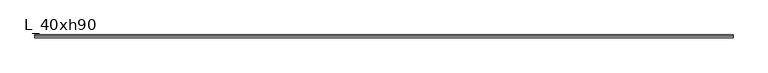
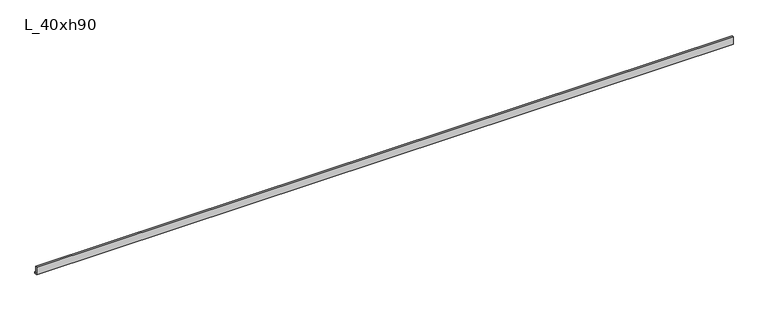
"""IFC4 building model written with IfcOpenShell, lengths in millimetres: beam geometry, L_40xh90."""

from ifc_helpers import new_model, si_unit, frame, origin, place, context, project, spatial, polyline, outline, extrude, source, transform, mapped, element, save


def l_40xh90_3d268e99(model_context):
    return source(origin(), model_context, "Body", "SweptSolid", [
        extrude(outline(polyline([(-115.0, -100.0), (-115.0, 1000.0), (105.0, 1000.0), (105.0, 100.0), (285.0, 100.0), (285.0, -100.0), (-115.0, -100.0)])), frame((-47249.5, 0.0, 0.0), z_axis=(1.0, 0.0, 0.0), x_axis=(0.0, 1.0, 0.0)), (0.0, 0.0, 1.0), 94499.0),
    ])


if __name__ == "__main__":
    model = new_model("IFC4")
    model_context = context("Model", 3, world=origin())
    ifc_project = project(units=[si_unit("LENGTHUNIT", "METRE", prefix="MILLI")], contexts=[model_context])
    site = spatial("IfcSite", under=ifc_project)
    building = spatial("IfcBuilding", under=site)
    placement = place(None, origin())
    l_40xh90_shape = l_40xh90_3d268e99(model_context)
    element("IfcBeam", 1, ObjectType="L_40xh90", at=placement, inside=building, context=model_context, shape_type="MappedRepresentation", body=[
        mapped(l_40xh90_shape, transform((0.0, 0.0, 0.0), x_axis=(1.0, 0.0, 0.0), y_axis=(0.0, 1.0, 0.0), z_axis=(0.0, 0.0, 1.0))),
    ])
    save(model, "model.ifc")
